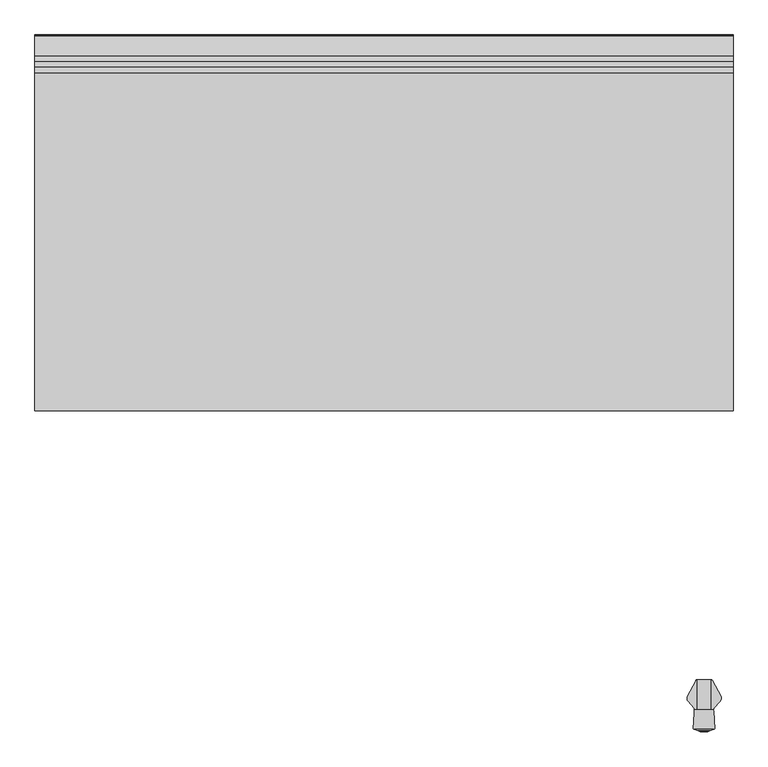
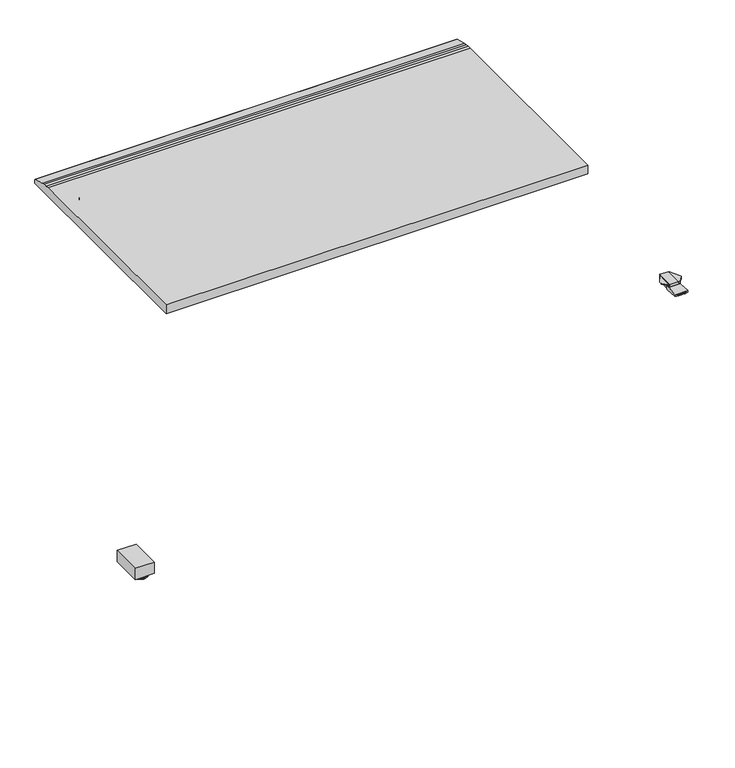
"""IFC4 building model written with IfcOpenShell, lengths in millimetres: furniture geometry."""

from ifc_helpers import new_model, si_unit, frame, origin, place, context, project, spatial, polyline, circle_curve, ellipse_curve, outline, extrude, faceted_brep, source, transform, mapped, element, save
from ifc_brep_helpers import plane_surface, cylinder_surface, revolved_surface, advanced_brep


def furniture_c7e0016a(model_context):
    return source(origin(), model_context, "Body", "SolidModel", [
        advanced_brep(
        [(-601.4331697, 882.9628978, 1037.209), (-601.4331697, 882.9628978, 1029.9601819), (-600.31166, 882.9628978, 1029.8867914), (-600.31166, 882.9628978, 1037.209), (-597.1278093, 938.4360352, 1033.5228106), (-597.2778673, 938.4360352, 1031.2297138), (-597.6572398, 938.4360352, 1029.7130886), (-601.4331697, 938.4360352, 1029.9601819), (-601.4331697, 938.4360352, 1037.209), (-596.7573081, 938.4360352, 1037.209), (-596.7573081, 938.4360352, 1033.8693631), (-583.0556977, 914.5139656, 1037.209), (-583.0556977, 919.6993849, 1037.209), (-584.9637879, 923.2879807, 1037.209), (-596.7573081, 936.4863381, 1037.209), (-583.3338057, 914.0054686, 1036.2591307), (-583.3338057, 920.6132102, 1036.2591307), (-583.924758, 912.9249623, 1035.4654291), (-583.924758, 921.8706593, 1035.4654291), (-584.8021754, 911.3206789, 1034.9271625), (-584.8021754, 923.1057944, 1034.9271625), (-587.634924, 906.1412376, 1034.7095886), (-587.634924, 926.2773009, 1034.7095886), (-584.9637879, 923.2879807, 1034.9147496), (-595.85964, 891.10304, 1034.7090072), (-595.85964, 935.4817403, 1034.7090072), (-597.1278093, 888.7842996, 1033.5228106), (-596.7573081, 936.4863381, 1033.8693631), (-597.2778673, 888.5099312, 1031.2297138), (-597.6572398, 887.8162807, 1029.7130886)],
        [
            (0, 1),
            (1, 2),
            (2, 3),
            (3, 0),
            (4, 5),
            (5, 6),
            (6, 7),
            (7, 8),
            (8, 9),
            (9, 10),
            (10, 4),
            (8, 0),
            (3, 11),
            (11, 12),
            (12, 13, circle_curve(frame((-590.9824137, 917.7862479, 1037.209), z_axis=(0.0, 0.0, 1.0), x_axis=(-1.0000000000000004, 0.0, 0.0)), 8.1543192)),
            (13, 14),
            (14, 9),
            (11, 15),
            (15, 16),
            (16, 12, ellipse_curve(frame((-590.9824137, 917.7862479, 1010.1355466), z_axis=(0.9597108497777287, 0.0, -0.28098947456961787), x_axis=(-0.28098947456961787, 0.0, -0.9597108497777287)), 29.0200165, 8.1543192)),
            (15, 17),
            (17, 18),
            (18, 16, ellipse_curve(frame((-590.9824137, 917.7862479, 1025.9863691), z_axis=(0.8020925083963487, 0.0, -0.5971998057387943), x_axis=(-0.5971998057387944, 0.0, -0.8020925083963485)), 13.6542563, 8.1543192)),
            (17, 19),
            (19, 20),
            (20, 18, ellipse_curve(frame((-590.9824137, 917.7862479, 1031.1357905), z_axis=(0.5229113139159308, 0.0, -0.8523870938597763), x_axis=(-0.8523870938597765, 0.0, -0.5229113139159306)), 9.5664508, 8.1543192)),
            (19, 21),
            (21, 22),
            (22, 23),
            (23, 20, ellipse_curve(frame((-590.9824137, 917.7862479, 1034.4524791), z_axis=(0.07658109560408619, 0.0, -0.9970633559589269), x_axis=(-0.9970633559589269, 0.0, -0.07658109560408602)), 8.178336, 8.1543192)),
            (21, 24),
            (24, 25),
            (25, 22),
            (26, 4),
            (10, 27),
            (27, 25),
            (24, 26),
            (26, 28),
            (28, 5),
            (28, 29),
            (29, 6),
            (29, 2),
            (1, 7),
            (27, 14),
            (13, 23),
        ],
        [
            plane_surface(frame((-601.4331697, 882.9628978, 1029.7916475), z_axis=(0.0, -1.0, 0.0), x_axis=(0.0, 0.0, -1.0))),
            plane_surface(frame((-601.4331697, 938.4360352, 1029.7916475), z_axis=(0.0, 1.0, 0.0), x_axis=(0.0, 0.0, 1.0))),
            plane_surface(frame((-583.0556977, 882.9628978, 1037.209), z_axis=(0.0, 0.0, 1.0), x_axis=(0.0, 1.0, 0.0))),
            plane_surface(frame((-583.3338057, 882.9628978, 1036.2591307), z_axis=(0.9597108497777287, 0.0, -0.28098947456961787), x_axis=(0.0, 1.0, 0.0))),
            plane_surface(frame((-583.924758, 882.9628978, 1035.4654291), z_axis=(0.8020925083963485, 0.0, -0.5971998057387942), x_axis=(0.0, 1.0, 0.0))),
            plane_surface(frame((-584.8021754, 882.9628978, 1034.9271625), z_axis=(0.5229113139159308, 0.0, -0.8523870938597763), x_axis=(0.0, 1.0, 0.0))),
            plane_surface(frame((-587.634924, 882.9628978, 1034.7095886), z_axis=(0.07658109560408619, 0.0, -0.9970633559589269), x_axis=(0.0, 1.0, 0.0))),
            plane_surface(frame((-595.85964, 882.9628978, 1034.7090072), z_axis=(7.068449081192282e-05, 0.0, -0.9999999975018514), x_axis=(0.0, 1.0, 0.0))),
            plane_surface(frame((-597.1278093, 882.9628978, 1033.5228106), z_axis=(0.6831094450823832, 0.0, -0.7303160179259652), x_axis=(0.0, 1.0, 0.0))),
            plane_surface(frame((-597.2778673, 882.9628978, 1031.2297138), z_axis=(0.9978657180161974, 0.0, -0.06529937831265216), x_axis=(0.0, 1.0, 0.0))),
            plane_surface(frame((-597.6572398, 882.9628978, 1029.7130886), z_axis=(0.9701099565798296, 0.0, -0.24266576220118338), x_axis=(0.0, 1.0, 0.0))),
            plane_surface(frame((-601.4331697, 882.9628978, 1029.9601819), z_axis=(-0.0652993783126831, 0.0, -0.9978657180161954), x_axis=(0.0, 1.0, 0.0))),
            plane_surface(frame((-601.4331697, 882.9628978, 1037.209), z_axis=(-1.0, 0.0, 0.0), x_axis=(0.0, 1.0, 0.0))),
            plane_surface(frame((-582.6963549, 915.1709936, 1067.1304045), z_axis=(0.8773539056662267, -0.4798438539902514, 0.0), x_axis=(0.0, 0.0, -1.0))),
            plane_surface(frame((-596.7573081, 936.4863381, 1044.0028547), z_axis=(0.7456773398656481, 0.666307215037396, 0.0), x_axis=(0.0, 0.0, -1.0))),
            plane_surface(frame((-596.7573081, 939.6626644, 1044.0028547), z_axis=(1.0, 0.0, 0.0), x_axis=(0.0, 0.0, -1.0))),
            cylinder_surface(frame((-590.9824137, 917.7862479, 344.6554878), z_axis=(0.0, 0.0, -1.0), x_axis=(-1.0000000000000004, 0.0, 0.0)), 8.1543192),
        ],
        [
            (0, [[1, 2, 3, 4]]),
            (1, [[5, 6, 7, 8, 9, 10, 11]]),
            (2, [[12, -4, 13, 14, 15, 16, 17, -9]]),
            (3, [[18, 19, 20, -14]]),
            (4, [[21, 22, 23, -19]]),
            (5, [[24, 25, 26, -22]]),
            (6, [[27, 28, 29, 30, -25]]),
            (7, [[31, 32, 33, -28]]),
            (8, [[34, -11, 35, 36, -32, 37]]),
            (9, [[-5, -34, 38, 39]]),
            (10, [[-6, -39, 40, 41]]),
            (11, [[-7, -41, 42, -2, 43]]),
            (12, [[-1, -12, -8, -43]]),
            (13, [[-3, -42, -40, -38, -37, -31, -27, -24, -21, -18, -13]]),
            (14, [[44, -16, 45, -29, -33, -36]]),
            (15, [[-44, -35, -10, -17]]),
            (16, [[-15, -20, -23, -26, -30, -45]]),
        ],
    ),
        advanced_brep(
        [(-630.0096303, 882.9628978, 1029.9601819), (-630.0096303, 882.9628978, 1037.209), (-631.13114, 882.9628978, 1037.209), (-631.13114, 882.9628978, 1029.8867914), (-630.0096303, 938.4360352, 1037.209), (-630.0096303, 938.4360352, 1029.9601819), (-633.7855602, 938.4360352, 1029.7130886), (-634.1649327, 938.4360352, 1031.2297138), (-634.3149907, 938.4360352, 1033.5228106), (-634.6854919, 938.4360352, 1033.8693631), (-634.6854919, 938.4360352, 1037.209), (-634.6854919, 936.4863381, 1037.209), (-646.4790121, 923.2879807, 1037.209), (-648.3871023, 919.6993849, 1037.209), (-648.3871023, 914.5139656, 1037.209), (-648.1089943, 914.0054686, 1036.2591307), (-648.1089943, 920.6132102, 1036.2591307), (-647.518042, 912.9249623, 1035.4654291), (-647.518042, 921.8706593, 1035.4654291), (-646.6406246, 911.3206789, 1034.9271625), (-646.6406246, 923.1057944, 1034.9271625), (-643.807876, 906.1412376, 1034.7095886), (-646.4790121, 923.2879807, 1034.9147496), (-643.807876, 926.2773009, 1034.7095886), (-635.58316, 891.10304, 1034.7090072), (-635.58316, 935.4817403, 1034.7090072), (-634.3149907, 888.7842996, 1033.5228106), (-634.6854919, 936.4863381, 1033.8693631), (-634.1649327, 888.5099312, 1031.2297138), (-633.7855602, 887.8162807, 1029.7130886)],
        [
            (0, 1),
            (1, 2),
            (2, 3),
            (3, 0),
            (4, 5),
            (5, 6),
            (6, 7),
            (7, 8),
            (8, 9),
            (9, 10),
            (10, 4),
            (1, 4),
            (10, 11),
            (11, 12),
            (12, 13, circle_curve(frame((-640.4603863, 917.7862479, 1037.209), z_axis=(0.0, 0.0, 1.0), x_axis=(1.0000000000000004, 0.0, 0.0)), 8.1543192)),
            (13, 14),
            (14, 2),
            (15, 14),
            (13, 16, ellipse_curve(frame((-640.4603863, 917.7862479, 1010.1355466), z_axis=(-0.9597108497777287, 0.0, -0.28098947456961787), x_axis=(0.28098947456961787, 0.0, -0.9597108497777287)), 29.0200165, 8.1543192)),
            (16, 15),
            (17, 15),
            (16, 18, ellipse_curve(frame((-640.4603863, 917.7862479, 1025.9863691), z_axis=(-0.8020925083963487, 0.0, -0.5971998057387943), x_axis=(0.5971998057387944, 0.0, -0.8020925083963485)), 13.6542563, 8.1543192)),
            (18, 17),
            (19, 17),
            (18, 20, ellipse_curve(frame((-640.4603863, 917.7862479, 1031.1357905), z_axis=(-0.5229113139159308, 0.0, -0.8523870938597763), x_axis=(0.8523870938597765, 0.0, -0.5229113139159306)), 9.5664508, 8.1543192)),
            (20, 19),
            (21, 19),
            (20, 22, ellipse_curve(frame((-640.4603863, 917.7862479, 1034.4524791), z_axis=(-0.07658109560408913, 0.0, -0.9970633559589267), x_axis=(0.9970633559589267, 0.0, -0.07658109560408889)), 8.178336, 8.1543192)),
            (22, 23),
            (23, 21),
            (24, 21),
            (23, 25),
            (25, 24),
            (8, 26),
            (26, 24),
            (25, 27),
            (27, 9),
            (7, 28),
            (28, 26),
            (6, 29),
            (29, 28),
            (5, 0),
            (3, 29),
            (11, 27),
            (22, 12),
        ],
        [
            plane_surface(frame((-632.0451645, 882.9628978, 1037.209), z_axis=(0.0, -1.0, 0.0), x_axis=(-1.0, 0.0, 0.0))),
            plane_surface(frame((-632.0451645, 938.4360352, 1037.209), z_axis=(0.0, 1.0, 0.0), x_axis=(1.0, 0.0, 0.0))),
            plane_surface(frame((-630.0096303, 882.9628978, 1037.209), z_axis=(0.0, 0.0, 1.0), x_axis=(0.0, 1.0, 0.0))),
            plane_surface(frame((-648.3871023, 882.9628978, 1037.209), z_axis=(-0.9597108497777287, 0.0, -0.28098947456961787), x_axis=(0.0, 1.0, 0.0))),
            plane_surface(frame((-648.1089943, 882.9628978, 1036.2591307), z_axis=(-0.8020925083963485, 0.0, -0.5971998057387942), x_axis=(0.0, 1.0, 0.0))),
            plane_surface(frame((-647.518042, 882.9628978, 1035.4654291), z_axis=(-0.5229113139159308, 0.0, -0.8523870938597763), x_axis=(0.0, 1.0, 0.0))),
            plane_surface(frame((-646.6406246, 882.9628978, 1034.9271625), z_axis=(-0.07658109560408913, 0.0, -0.9970633559589267), x_axis=(0.0, 1.0, 0.0))),
            plane_surface(frame((-643.807876, 882.9628978, 1034.7095886), z_axis=(-7.068449081192188e-05, 0.0, -0.9999999975018514), x_axis=(0.0, 1.0, 0.0))),
            plane_surface(frame((-635.58316, 882.9628978, 1034.7090072), z_axis=(-0.683109445082383, 0.0, -0.7303160179259655), x_axis=(0.0, 1.0, 0.0))),
            plane_surface(frame((-634.3149907, 882.9628978, 1033.5228106), z_axis=(-0.9978657180161974, 0.0, -0.06529937831265216), x_axis=(0.0, 1.0, 0.0))),
            plane_surface(frame((-634.1649327, 882.9628978, 1031.2297138), z_axis=(-0.9701099565798296, 0.0, -0.24266576220118338), x_axis=(0.0, 1.0, 0.0))),
            plane_surface(frame((-633.7855602, 882.9628978, 1029.7130886), z_axis=(0.06529937831268308, 0.0, -0.9978657180161954), x_axis=(0.0, 1.0, 0.0))),
            plane_surface(frame((-630.0096303, 882.9628978, 1029.9601819), z_axis=(1.0, 0.0, 0.0), x_axis=(0.0, 1.0, 0.0))),
            plane_surface(frame((-631.13114, 882.9628978, 1067.1304045), z_axis=(-0.8773539056662298, -0.47984385399024576, 0.0), x_axis=(0.0, 0.0, -1.0))),
            plane_surface(frame((-646.4790121, 923.2879807, 1044.0028547), z_axis=(-0.7456773398656439, 0.6663072150374009, 0.0), x_axis=(0.0, 0.0, -1.0))),
            plane_surface(frame((-634.6854919, 936.4863381, 1044.0028547), z_axis=(-1.0, 0.0, 0.0), x_axis=(0.0, 0.0, -1.0))),
            cylinder_surface(frame((-640.4603863, 917.7862479, 344.6554878), z_axis=(0.0, 0.0, -1.0), x_axis=(1.0000000000000004, 0.0, 0.0)), 8.1543192),
        ],
        [
            (0, [[1, 2, 3, 4]]),
            (1, [[5, 6, 7, 8, 9, 10, 11]]),
            (2, [[12, -11, 13, 14, 15, 16, 17, -2]]),
            (3, [[18, -16, 19, 20]]),
            (4, [[21, -20, 22, 23]]),
            (5, [[24, -23, 25, 26]]),
            (6, [[27, -26, 28, 29, 30]]),
            (7, [[31, -30, 32, 33]]),
            (8, [[34, 35, -33, 36, 37, -9]]),
            (9, [[-8, 38, 39, -34]]),
            (10, [[-7, 40, 41, -38]]),
            (11, [[-6, 42, -4, 43, -40]]),
            (12, [[-1, -42, -5, -12]]),
            (13, [[-3, -17, -18, -21, -24, -27, -31, -35, -39, -41, -43]]),
            (14, [[44, -36, -32, -29, 45, -14]]),
            (15, [[-44, -13, -10, -37]]),
            (16, [[-15, -45, -28, -25, -22, -19]]),
        ],
    ),
        advanced_brep(
        [(-599.2317452, 919.4221186, 1017.7130243), (-599.2317452, 923.2963371, 1016.9270984), (-599.2317452, 925.4255676, 1016.6538593), (-599.2317452, 927.3968499, 1016.5113535), (-599.2317452, 929.4293203, 1016.5263235), (-599.2317452, 931.469203, 1016.7748548), (-599.2317452, 939.1328704, 1029.7916475), (-599.2317452, 938.2843394, 1037.209), (-599.2317452, 902.5216668, 1037.209), (-599.2317452, 902.5216668, 1021.7486428), (-632.0451645, 938.2843394, 1037.209), (-632.0451645, 939.1328704, 1029.7916475), (-632.0451645, 931.469203, 1016.7748548), (-632.0451645, 929.4293203, 1016.5263235), (-632.0451645, 927.3968499, 1016.5113535), (-632.0451645, 925.4255676, 1016.6538593), (-632.0451645, 923.2963371, 1016.9270984), (-632.0451645, 919.4221186, 1017.7130243), (-632.0451645, 903.6256731, 1021.4850198), (-632.0451645, 903.6256731, 1037.209), (-631.1063131, 883.2569697, 1037.209), (-629.4193974, 881.9300757, 1037.209), (-601.8066255, 881.9300757, 1037.209), (-600.1197098, 883.2569697, 1037.209), (-630.2875126, 882.1633827, 1033.8727211), (-600.9385102, 882.1633827, 1033.8727211), (-630.6291096, 882.4218335, 1032.277615), (-600.5969133, 882.4218335, 1032.277615), (-630.9802739, 882.9072326, 1030.7540161), (-600.245749, 882.9072326, 1030.7540161), (-631.1063131, 883.2569697, 1030.0612029), (-631.1229046, 883.6169277, 1029.3481426), (-600.1031183, 883.6169277, 1029.3481426), (-600.1197098, 883.2569697, 1030.0612029), (-631.1646804, 884.5232677, 1028.0897165), (-600.0613425, 884.5232677, 1028.0897165), (-631.2167075, 885.6520142, 1026.9530853), (-600.0093154, 885.6520142, 1026.9530853), (-631.341025, 888.3491243, 1025.2864719), (-599.8849979, 888.3491243, 1025.2864719), (-631.4116573, 889.8815162, 1024.7669542), (-599.8143656, 889.8815162, 1024.7669542)],
        [
            (0, 1),
            (1, 2),
            (2, 3),
            (3, 4),
            (4, 5),
            (5, 6),
            (6, 7),
            (7, 8),
            (8, 9),
            (9, 0),
            (10, 11),
            (11, 12),
            (12, 13),
            (13, 14),
            (14, 15),
            (15, 16),
            (16, 17),
            (17, 18),
            (18, 19),
            (19, 10),
            (7, 10),
            (19, 20),
            (20, 21, circle_curve(frame((-629.4177592, 883.6679158, 1037.209), z_axis=(0.0, 0.0, 1.0), x_axis=(1.0000000000000004, 0.0, 0.0)), 1.7378408)),
            (21, 22),
            (22, 23, circle_curve(frame((-601.8082636, 883.6679158, 1037.209), z_axis=(0.0, 0.0, 1.0), x_axis=(-1.0000000000000004, 0.0, 0.0)), 1.7378408)),
            (23, 8),
            (21, 24, ellipse_curve(frame((-629.4177592, 883.6679158, 1012.3579681), z_axis=(0.0, -0.997563808233696, -0.06975993479273002), x_axis=(0.0, 0.06975993479273002, -0.997563808233696)), 24.9117327, 1.7378408)),
            (24, 25),
            (25, 22, ellipse_curve(frame((-601.8082636, 883.6679158, 1012.3579681), z_axis=(0.0, -0.997563808233696, -0.06975993479273002), x_axis=(0.0, 0.06975993479273002, -0.997563808233696)), 24.9117327, 1.7378408)),
            (24, 26, ellipse_curve(frame((-629.4177592, 883.6679158, 1024.5870466), z_axis=(0.0, -0.9871264986508672, -0.15994147573809486), x_axis=(0.0, 0.15994147573809486, -0.9871264986508672)), 10.8654796, 1.7378408)),
            (26, 27),
            (27, 25, ellipse_curve(frame((-601.8082636, 883.6679158, 1024.5870466), z_axis=(0.0, -0.9871264986508672, -0.15994147573809486), x_axis=(0.0, 0.15994147573809486, -0.9871264986508672)), 10.8654796, 1.7378408)),
            (26, 28, ellipse_curve(frame((-629.4177592, 883.6679158, 1028.3663399), z_axis=(0.0, -0.9528141049574114, -0.3035544125757477), x_axis=(0.0, 0.3035544125757477, -0.9528141049574111)), 5.7249731, 1.7378408)),
            (28, 29),
            (29, 27, ellipse_curve(frame((-601.8082636, 883.6679158, 1028.3663399), z_axis=(0.0, -0.9528141049574114, -0.3035544125757477), x_axis=(0.0, 0.3035544125757477, -0.9528141049574111)), 5.7249731, 1.7378408)),
            (30, 31),
            (31, 32),
            (32, 33),
            (33, 29, ellipse_curve(frame((-601.8082636, 883.6679158, 1029.2471375), z_axis=(0.0, -0.8927040411549354, -0.45064342323576334), x_axis=(0.0, 0.45064342323576334, -0.8927040411549354)), 3.8563546, 1.7378408)),
            (28, 30, ellipse_curve(frame((-629.4177592, 883.6679158, 1029.2471375), z_axis=(0.0, -0.8927040411549354, -0.45064342323576334), x_axis=(0.0, 0.45064342323576334, -0.8927040411549354)), 3.8563546, 1.7378408)),
            (31, 34),
            (34, 35),
            (35, 32),
            (34, 36),
            (36, 37),
            (37, 35),
            (36, 38),
            (38, 39),
            (39, 37),
            (38, 40),
            (40, 41),
            (41, 39),
            (17, 0),
            (9, 41),
            (40, 18),
            (16, 1),
            (15, 2),
            (14, 3),
            (13, 4),
            (12, 5),
            (11, 6),
            (30, 20),
            (23, 33),
        ],
        [
            plane_surface(frame((-599.2317452, 923.7473996, 1037.209), z_axis=(1.0, 0.0, 0.0), x_axis=(0.0, -1.0, 0.0))),
            plane_surface(frame((-632.0451645, 923.7473996, 1037.209), z_axis=(-1.0, 0.0, 0.0), x_axis=(0.0, 1.0, 0.0))),
            plane_surface(frame((-599.2317452, 938.2843394, 1037.209), z_axis=(0.0, 0.0, 1.0), x_axis=(-1.0, 0.0, 0.0))),
            plane_surface(frame((-599.2317452, 881.9300757, 1037.209), z_axis=(0.0, -0.997563808233696, -0.06975993479273002), x_axis=(-1.0, 0.0, 0.0))),
            plane_surface(frame((-599.2317452, 882.1633827, 1033.8727211), z_axis=(0.0, -0.9871264986508672, -0.15994147573809486), x_axis=(-1.0, 0.0, 0.0))),
            plane_surface(frame((-599.2317452, 882.4218335, 1032.277615), z_axis=(0.0, -0.9528141049574114, -0.3035544125757477), x_axis=(-1.0, 0.0, 0.0))),
            plane_surface(frame((-599.2317452, 882.9072326, 1030.7540161), z_axis=(0.0, -0.8927040411549354, -0.45064342323576334), x_axis=(-1.0, 0.0, 0.0))),
            plane_surface(frame((-599.2317452, 883.6169277, 1029.3481426), z_axis=(0.0, -0.8114507875380343, -0.5844207554526992), x_axis=(-1.0, 0.0, 0.0))),
            plane_surface(frame((-599.2317452, 884.5232677, 1028.0897165), z_axis=(0.0, -0.7095635828811538, -0.704641413662907), x_axis=(-1.0, 0.0, 0.0))),
            plane_surface(frame((-599.2317452, 885.6520142, 1026.9530853), z_axis=(0.0, -0.5256643953018257, -0.8506920379972802), x_axis=(-1.0, 0.0, 0.0))),
            plane_surface(frame((-599.2317452, 888.3491243, 1025.2864719), z_axis=(0.0, -0.32107410172322687, -0.9470540751206464), x_axis=(-1.0, 0.0, 0.0))),
            plane_surface(frame((-599.2317452, 889.8815162, 1024.7669542), z_axis=(0.0, -0.23225778917580214, -0.9726542650742702), x_axis=(-1.0, 0.0, 0.0))),
            plane_surface(frame((-599.2317452, 919.4221186, 1017.7130243), z_axis=(0.0, -0.1988109622365402, -0.9800378570721546), x_axis=(-1.0, 0.0, 0.0))),
            plane_surface(frame((-599.2317452, 923.2963371, 1016.9270984), z_axis=(0.0, -0.12728387031952282, -0.9918663298834591), x_axis=(-1.0, 0.0, 0.0))),
            plane_surface(frame((-599.2317452, 925.4255676, 1016.6538593), z_axis=(0.0, -0.07210277493300893, -0.997397207659496), x_axis=(-1.0, 0.0, 0.0))),
            plane_surface(frame((-599.2317452, 927.3968499, 1016.5113535), z_axis=(0.0, 0.007365229187275849, -0.9999728763316628), x_axis=(-1.0, 0.0, 0.0))),
            plane_surface(frame((-599.2317452, 929.4293203, 1016.5263235), z_axis=(0.0, 0.12094176610084176, -0.992659603898743), x_axis=(-1.0, 0.0, 0.0))),
            plane_surface(frame((-599.2317452, 931.469203, 1016.7748548), z_axis=(0.0, 0.8617394273144984, -0.5073511204399574), x_axis=(-1.0, 0.0, 0.0))),
            plane_surface(frame((-599.2317452, 939.1328704, 1029.7916475), z_axis=(0.0, 0.9935200698495489, 0.11365681152551964), x_axis=(-1.0, 0.0, 0.0))),
            plane_surface(frame((-631.1063131, 883.2569697, 1050.6978518), z_axis=(-0.9989394147117107, -0.04604395438518504, 0.0), x_axis=(0.0, 0.0, -1.0))),
            cylinder_surface(frame((-629.4177592, 883.6679158, 1007.8853687), z_axis=(0.0, 0.0, -1.0), x_axis=(1.0000000000000004, 0.0, 0.0)), 1.7378408),
            plane_surface(frame((-597.4404627, 941.384156, 1050.6978518), z_axis=(0.9989394147117103, -0.04604395438519144, 0.0), x_axis=(0.0, 0.0, -1.0))),
            cylinder_surface(frame((-601.8082636, 883.6679158, 1007.8853687), z_axis=(0.0, 0.0, -1.0), x_axis=(-1.0000000000000004, 0.0, 0.0)), 1.7378408),
        ],
        [
            (0, [[1, 2, 3, 4, 5, 6, 7, 8, 9, 10]]),
            (1, [[11, 12, 13, 14, 15, 16, 17, 18, 19, 20]]),
            (2, [[21, -20, 22, 23, 24, 25, 26, -8]]),
            (3, [[27, 28, 29, -24]]),
            (4, [[30, 31, 32, -28]]),
            (5, [[33, 34, 35, -31]]),
            (6, [[36, 37, 38, 39, -34, 40]]),
            (7, [[41, 42, 43, -37]]),
            (8, [[44, 45, 46, -42]]),
            (9, [[47, 48, 49, -45]]),
            (10, [[50, 51, 52, -48]]),
            (11, [[53, -10, 54, -51, 55, -18]]),
            (12, [[-1, -53, -17, 56]]),
            (13, [[-2, -56, -16, 57]]),
            (14, [[-3, -57, -15, 58]]),
            (15, [[-4, -58, -14, 59]]),
            (16, [[-5, -59, -13, 60]]),
            (17, [[-6, -60, -12, 61]]),
            (18, [[-7, -61, -11, -21]]),
            (19, [[62, -22, -19, -55, -50, -47, -44, -41, -36]]),
            (20, [[-62, -40, -33, -30, -27, -23]]),
            (21, [[63, -38, -43, -46, -49, -52, -54, -9, -26]]),
            (22, [[-63, -25, -29, -32, -35, -39]]),
        ],
    ),
        faceted_brep([(-598.001947, 928.2279947, 1029.223888), (-597.8056147, 931.1645029, 1030.0697046), (-633.3145074, 931.1645029, 1030.0697046), (-633.1791554, 928.2279947, 1029.223888), (-598.1465732, 926.0648454, 1027.3301699), (-633.0794497, 926.0648454, 1027.3301699), (-598.2145724, 925.0477927, 1025.0631571), (-633.0325708, 925.0477927, 1025.0631571), (-598.2293768, 924.8263672, 1023.7281368), (-633.0223647, 924.8263672, 1023.7281368), (-598.2261142, 924.8751651, 1022.446311), (-633.0246139, 924.8751651, 1022.446311), (-598.2106539, 925.106401, 1021.1650665), (-633.0352722, 925.106401, 1021.1650665), (-598.1493839, 926.0228058, 1019.326952), (-633.0775119, 926.0228058, 1019.326952), (-598.0326986, 927.7680481, 1017.6682596), (-633.1579551, 927.7680481, 1017.6682596), (-597.8544858, 930.4335468, 1016.6432495), (-633.2808155, 930.4335468, 1016.6432495), (-597.762786, 931.8050837, 1016.5717422), (-633.3440336, 931.8050837, 1016.5717422), (-594.8473822, 975.4102709, 1023.2389952), (-633.7855602, 941.384156, 1018.0363867), (-634.3204622, 941.384156, 1018.0363867), (-636.5954178, 975.4102709, 1023.2389952), (-594.8040016, 976.0591078, 1023.3389153), (-636.6387984, 976.0591078, 1023.3389153), (-635.216104, 977.1267722, 1023.5033343), (-631.8218056, 978.3760783, 1023.695726), (-599.6209944, 978.3760783, 1023.695726), (-596.226696, 977.1267722, 1023.5033343), (-604.8962098, 980.3176749, 1023.9930916), (-626.5465902, 980.3176749, 1023.9930916), (-609.1723762, 981.8915613, 1025.1280514), (-622.2704238, 981.8915613, 1025.1280514), (-608.8005958, 981.7547238, 1027.4254402), (-622.6422042, 981.7547238, 1027.4254402), (-604.3815491, 980.1282488, 1028.3600857), (-627.0612509, 980.1282488, 1028.3600857), (-596.9840778, 977.4055343, 1028.4561186), (-634.4587222, 977.4055343, 1028.4561186), (-594.8040016, 976.0591078, 1028.5031023), (-596.226696, 977.1267722, 1028.465846), (-635.216104, 977.1267722, 1028.465846), (-636.6387984, 976.0591078, 1028.5031023), (-634.3204622, 941.384156, 1029.7130886), (-633.7855602, 941.384156, 1029.7130886)], [[[0, 1, 2, 3]], [[4, 0, 3, 5]], [[6, 4, 5, 7]], [[8, 6, 7, 9]], [[10, 8, 9, 11]], [[12, 10, 11, 13]], [[14, 12, 13, 15]], [[16, 14, 15, 17]], [[18, 16, 17, 19]], [[20, 18, 19, 21]], [[22, 20, 21, 23, 24, 25]], [[26, 22, 25, 27, 28, 29, 30, 31]], [[32, 30, 29, 33]], [[34, 32, 33, 35]], [[36, 34, 35, 37]], [[38, 36, 37, 39]], [[40, 38, 39, 41]], [[1, 42, 43, 40, 41, 44, 45, 46, 47, 2]], [[26, 42, 1, 0, 4, 6, 8, 10, 12, 14, 16, 18, 20, 22]], [[43, 31, 30, 32, 34, 36, 38, 40]], [[42, 26, 31, 43]], [[47, 23, 21, 19, 17, 15, 13, 11, 9, 7, 5, 3, 2]], [[23, 47, 46, 24]], [[45, 27, 25, 24, 46]], [[28, 44, 41, 39, 37, 35, 33, 29]], [[44, 28, 27, 45]]]),
        advanced_brep(
        [(601.4229641, -236.8289895, 1037.209), (601.4229641, -236.8289895, 1029.9601819), (600.3014544, -236.8289895, 1029.8867914), (600.3014544, -236.8289895, 1037.209), (597.1176037, -292.3021269, 1033.5228106), (597.2676618, -292.3021269, 1031.2297138), (597.6470342, -292.3021269, 1029.7130886), (601.4229641, -292.3021269, 1029.9601819), (601.4229641, -292.3021269, 1037.209), (596.7471025, -292.3021269, 1037.209), (596.7471025, -292.3021269, 1033.8693631), (583.0454921, -268.3800573, 1037.209), (583.0454921, -273.5654766, 1037.209), (584.9535823, -277.1540723, 1037.209), (596.7471025, -290.3524298, 1037.209), (583.3236001, -267.8715603, 1036.2591307), (583.3236001, -274.4793019, 1036.2591307), (583.9145524, -266.791054, 1035.4654291), (583.9145524, -275.7367509, 1035.4654291), (584.7919698, -265.1867705, 1034.9271625), (584.7919698, -276.971886, 1034.9271625), (587.6247184, -260.0073293, 1034.7095886), (587.6247184, -280.1433926, 1034.7095886), (584.9535823, -277.1540723, 1034.9147496), (595.8494344, -244.9691317, 1034.7090072), (595.8494344, -289.347832, 1034.7090072), (597.1176037, -242.6503913, 1033.5228106), (596.7471025, -290.3524298, 1033.8693631), (597.2676618, -242.3760228, 1031.2297138), (597.6470342, -241.6823724, 1029.7130886)],
        [
            (0, 1),
            (1, 2),
            (2, 3),
            (3, 0),
            (4, 5),
            (5, 6),
            (6, 7),
            (7, 8),
            (8, 9),
            (9, 10),
            (10, 4),
            (8, 0),
            (3, 11),
            (11, 12),
            (12, 13, circle_curve(frame((590.9722082, -271.6523395, 1037.209), z_axis=(0.0, 0.0, 1.0), x_axis=(1.0, 0.0, 0.0)), 8.1543192)),
            (13, 14),
            (14, 9),
            (11, 15),
            (15, 16),
            (16, 12, ellipse_curve(frame((590.9722082, -271.6523395, 1010.1355466), z_axis=(-0.9597108497777287, 0.0, -0.28098947456961776), x_axis=(0.28098947456961776, 0.0, -0.9597108497777287)), 29.0200165, 8.1543192)),
            (15, 17),
            (17, 18),
            (18, 16, ellipse_curve(frame((590.9722082, -271.6523395, 1025.9863691), z_axis=(-0.8020925083963487, 0.0, -0.597199805738794), x_axis=(0.5971998057387942, 0.0, -0.8020925083963487)), 13.6542563, 8.1543192)),
            (17, 19),
            (19, 20),
            (20, 18, ellipse_curve(frame((590.9722082, -271.6523395, 1031.1357905), z_axis=(-0.5229113139159309, 0.0, -0.8523870938597762), x_axis=(0.8523870938597762, 0.0, -0.5229113139159307)), 9.5664508, 8.1543192)),
            (19, 21),
            (21, 22),
            (22, 23),
            (23, 20, ellipse_curve(frame((590.9722082, -271.6523395, 1034.4524791), z_axis=(-0.07658109560408621, 0.0, -0.9970633559589269), x_axis=(0.9970633559589269, 0.0, -0.076581095604086)), 8.178336, 8.1543192)),
            (21, 24),
            (24, 25),
            (25, 22),
            (26, 4),
            (10, 27),
            (27, 25),
            (24, 26),
            (26, 28),
            (28, 5),
            (28, 29),
            (29, 6),
            (29, 2),
            (1, 7),
            (27, 14),
            (13, 23),
        ],
        [
            plane_surface(frame((601.4229641, -236.8289895, 1029.7916475), z_axis=(0.0, 1.0, 0.0), x_axis=(0.0, 0.0, -1.0))),
            plane_surface(frame((601.4229641, -292.3021269, 1029.7916475), z_axis=(0.0, -1.0, 0.0), x_axis=(0.0, 0.0, 1.0))),
            plane_surface(frame((583.0454921, -236.8289895, 1037.209), z_axis=(0.0, 0.0, 1.0), x_axis=(0.0, -1.0, 0.0))),
            plane_surface(frame((583.3236001, -236.8289895, 1036.2591307), z_axis=(-0.9597108497777287, 0.0, -0.28098947456961776), x_axis=(0.0, -1.0, 0.0))),
            plane_surface(frame((583.9145524, -236.8289895, 1035.4654291), z_axis=(-0.8020925083963487, 0.0, -0.597199805738794), x_axis=(0.0, -1.0, 0.0))),
            plane_surface(frame((584.7919698, -236.8289895, 1034.9271625), z_axis=(-0.5229113139159309, 0.0, -0.8523870938597762), x_axis=(0.0, -1.0, 0.0))),
            plane_surface(frame((587.6247184, -236.8289895, 1034.7095886), z_axis=(-0.07658109560408621, 0.0, -0.9970633559589269), x_axis=(0.0, -1.0, 0.0))),
            plane_surface(frame((595.8494344, -236.8289895, 1034.7090072), z_axis=(-7.068449081192285e-05, 0.0, -0.9999999975018514), x_axis=(0.0, -1.0, 0.0))),
            plane_surface(frame((597.1176037, -236.8289895, 1033.5228106), z_axis=(-0.6831094450823834, 0.0, -0.730316017925965), x_axis=(0.0, -1.0, 0.0))),
            plane_surface(frame((597.2676618, -236.8289895, 1031.2297138), z_axis=(-0.9978657180161974, 0.0, -0.06529937831265213), x_axis=(0.0, -1.0, 0.0))),
            plane_surface(frame((597.6470342, -236.8289895, 1029.7130886), z_axis=(-0.9701099565798296, 0.0, -0.24266576220118327), x_axis=(0.0, -1.0, 0.0))),
            plane_surface(frame((601.4229641, -236.8289895, 1029.9601819), z_axis=(0.06529937831268313, 0.0, -0.9978657180161954), x_axis=(0.0, -1.0, 0.0))),
            plane_surface(frame((601.4229641, -236.8289895, 1037.209), z_axis=(1.0, 0.0, 0.0), x_axis=(0.0, -1.0, 0.0))),
            plane_surface(frame((582.6861493, -269.0370852, 1067.1304045), z_axis=(-0.8773539056662283, 0.4798438539902486, 0.0), x_axis=(0.0, 0.0, -1.0))),
            plane_surface(frame((596.7471025, -290.3524298, 1044.0028547), z_axis=(-0.745677339865646, -0.6663072150373984, 0.0), x_axis=(0.0, 0.0, -1.0))),
            plane_surface(frame((596.7471025, -293.5287561, 1044.0028547), z_axis=(-1.0, 0.0, 0.0), x_axis=(0.0, 0.0, -1.0))),
            cylinder_surface(frame((590.9722082, -271.6523395, 344.6554878), z_axis=(0.0, 0.0, -1.0), x_axis=(1.0, 0.0, 0.0)), 8.1543192),
        ],
        [
            (0, [[1, 2, 3, 4]]),
            (1, [[5, 6, 7, 8, 9, 10, 11]]),
            (2, [[12, -4, 13, 14, 15, 16, 17, -9]]),
            (3, [[18, 19, 20, -14]]),
            (4, [[21, 22, 23, -19]]),
            (5, [[24, 25, 26, -22]]),
            (6, [[27, 28, 29, 30, -25]]),
            (7, [[31, 32, 33, -28]]),
            (8, [[34, -11, 35, 36, -32, 37]]),
            (9, [[-5, -34, 38, 39]]),
            (10, [[-6, -39, 40, 41]]),
            (11, [[-7, -41, 42, -2, 43]]),
            (12, [[-1, -12, -8, -43]]),
            (13, [[-3, -42, -40, -38, -37, -31, -27, -24, -21, -18, -13]]),
            (14, [[44, -16, 45, -29, -33, -36]]),
            (15, [[-44, -35, -10, -17]]),
            (16, [[-15, -20, -23, -26, -30, -45]]),
        ],
    ),
        advanced_brep(
        [(629.9994247, -236.8289895, 1029.9601819), (629.9994247, -236.8289895, 1037.209), (631.1209344, -236.8289895, 1037.209), (631.1209344, -236.8289895, 1029.8867914), (629.9994247, -292.3021269, 1037.209), (629.9994247, -292.3021269, 1029.9601819), (633.7753546, -292.3021269, 1029.7130886), (634.1547271, -292.3021269, 1031.2297138), (634.3047851, -292.3021269, 1033.5228106), (634.6752864, -292.3021269, 1033.8693631), (634.6752864, -292.3021269, 1037.209), (634.6752864, -290.3524298, 1037.209), (646.4688066, -277.1540723, 1037.209), (648.3768968, -273.5654766, 1037.209), (648.3768968, -268.3800573, 1037.209), (648.0987887, -267.8715603, 1036.2591307), (648.0987887, -274.4793019, 1036.2591307), (647.5078364, -266.791054, 1035.4654291), (647.5078364, -275.7367509, 1035.4654291), (646.6304191, -265.1867705, 1034.9271625), (646.6304191, -276.971886, 1034.9271625), (643.7976705, -260.0073293, 1034.7095886), (646.4688066, -277.1540723, 1034.9147496), (643.7976705, -280.1433926, 1034.7095886), (635.5729545, -244.9691317, 1034.7090072), (635.5729545, -289.347832, 1034.7090072), (634.3047851, -242.6503913, 1033.5228106), (634.6752864, -290.3524298, 1033.8693631), (634.1547271, -242.3760228, 1031.2297138), (633.7753546, -241.6823724, 1029.7130886)],
        [
            (0, 1),
            (1, 2),
            (2, 3),
            (3, 0),
            (4, 5),
            (5, 6),
            (6, 7),
            (7, 8),
            (8, 9),
            (9, 10),
            (10, 4),
            (1, 4),
            (10, 11),
            (11, 12),
            (12, 13, circle_curve(frame((640.4501807, -271.6523395, 1037.209), z_axis=(0.0, 0.0, 1.0), x_axis=(-1.0, 0.0, 0.0)), 8.1543192)),
            (13, 14),
            (14, 2),
            (15, 14),
            (13, 16, ellipse_curve(frame((640.4501807, -271.6523395, 1010.1355466), z_axis=(0.9597108497777287, 0.0, -0.28098947456961776), x_axis=(-0.28098947456961776, 0.0, -0.9597108497777287)), 29.0200165, 8.1543192)),
            (16, 15),
            (17, 15),
            (16, 18, ellipse_curve(frame((640.4501807, -271.6523395, 1025.9863691), z_axis=(0.8020925083963487, 0.0, -0.597199805738794), x_axis=(-0.5971998057387942, 0.0, -0.8020925083963487)), 13.6542563, 8.1543192)),
            (18, 17),
            (19, 17),
            (18, 20, ellipse_curve(frame((640.4501807, -271.6523395, 1031.1357905), z_axis=(0.5229113139159309, 0.0, -0.8523870938597762), x_axis=(-0.8523870938597762, 0.0, -0.5229113139159307)), 9.5664508, 8.1543192)),
            (20, 19),
            (21, 19),
            (20, 22, ellipse_curve(frame((640.4501807, -271.6523395, 1034.4524791), z_axis=(0.07658109560408916, 0.0, -0.9970633559589267), x_axis=(-0.9970633559589266, 0.0, -0.07658109560408885)), 8.178336, 8.1543192)),
            (22, 23),
            (23, 21),
            (24, 21),
            (23, 25),
            (25, 24),
            (8, 26),
            (26, 24),
            (25, 27),
            (27, 9),
            (7, 28),
            (28, 26),
            (6, 29),
            (29, 28),
            (5, 0),
            (3, 29),
            (11, 27),
            (22, 12),
        ],
        [
            plane_surface(frame((632.0349589, -236.8289895, 1037.209), z_axis=(0.0, 1.0, 0.0), x_axis=(1.0, 0.0, 0.0))),
            plane_surface(frame((632.0349589, -292.3021269, 1037.209), z_axis=(0.0, -1.0, 0.0), x_axis=(-1.0, 0.0, 0.0))),
            plane_surface(frame((629.9994247, -236.8289895, 1037.209), z_axis=(0.0, 0.0, 1.0), x_axis=(0.0, -1.0, 0.0))),
            plane_surface(frame((648.3768968, -236.8289895, 1037.209), z_axis=(0.9597108497777287, 0.0, -0.28098947456961776), x_axis=(0.0, -1.0, 0.0))),
            plane_surface(frame((648.0987887, -236.8289895, 1036.2591307), z_axis=(0.8020925083963487, 0.0, -0.597199805738794), x_axis=(0.0, -1.0, 0.0))),
            plane_surface(frame((647.5078364, -236.8289895, 1035.4654291), z_axis=(0.5229113139159309, 0.0, -0.8523870938597762), x_axis=(0.0, -1.0, 0.0))),
            plane_surface(frame((646.6304191, -236.8289895, 1034.9271625), z_axis=(0.07658109560408916, 0.0, -0.9970633559589267), x_axis=(0.0, -1.0, 0.0))),
            plane_surface(frame((643.7976705, -236.8289895, 1034.7095886), z_axis=(7.068449081192191e-05, 0.0, -0.9999999975018514), x_axis=(0.0, -1.0, 0.0))),
            plane_surface(frame((635.5729545, -236.8289895, 1034.7090072), z_axis=(0.6831094450823831, 0.0, -0.7303160179259652), x_axis=(0.0, -1.0, 0.0))),
            plane_surface(frame((634.3047851, -236.8289895, 1033.5228106), z_axis=(0.9978657180161974, 0.0, -0.06529937831265213), x_axis=(0.0, -1.0, 0.0))),
            plane_surface(frame((634.1547271, -236.8289895, 1031.2297138), z_axis=(0.9701099565798296, 0.0, -0.24266576220118327), x_axis=(0.0, -1.0, 0.0))),
            plane_surface(frame((633.7753546, -236.8289895, 1029.7130886), z_axis=(-0.0652993783126831, 0.0, -0.9978657180161954), x_axis=(0.0, -1.0, 0.0))),
            plane_surface(frame((629.9994247, -236.8289895, 1029.9601819), z_axis=(-1.0, 0.0, 0.0), x_axis=(0.0, -1.0, 0.0))),
            plane_surface(frame((631.1209344, -236.8289895, 1067.1304045), z_axis=(0.8773539056662283, 0.4798438539902486, 0.0), x_axis=(0.0, 0.0, -1.0))),
            plane_surface(frame((646.4688066, -277.1540723, 1044.0028547), z_axis=(0.745677339865646, -0.6663072150373984, 0.0), x_axis=(0.0, 0.0, -1.0))),
            plane_surface(frame((634.6752864, -290.3524298, 1044.0028547), z_axis=(1.0, 0.0, 0.0), x_axis=(0.0, 0.0, -1.0))),
            cylinder_surface(frame((640.4501807, -271.6523395, 344.6554878), z_axis=(0.0, 0.0, -1.0), x_axis=(-1.0, 0.0, 0.0)), 8.1543192),
        ],
        [
            (0, [[1, 2, 3, 4]]),
            (1, [[5, 6, 7, 8, 9, 10, 11]]),
            (2, [[12, -11, 13, 14, 15, 16, 17, -2]]),
            (3, [[18, -16, 19, 20]]),
            (4, [[21, -20, 22, 23]]),
            (5, [[24, -23, 25, 26]]),
            (6, [[27, -26, 28, 29, 30]]),
            (7, [[31, -30, 32, 33]]),
            (8, [[34, 35, -33, 36, 37, -9]]),
            (9, [[-8, 38, 39, -34]]),
            (10, [[-7, 40, 41, -38]]),
            (11, [[-6, 42, -4, 43, -40]]),
            (12, [[-1, -42, -5, -12]]),
            (13, [[-3, -17, -18, -21, -24, -27, -31, -35, -39, -41, -43]]),
            (14, [[44, -36, -32, -29, 45, -14]]),
            (15, [[-44, -13, -10, -37]]),
            (16, [[-15, -45, -28, -25, -22, -19]]),
        ],
    ),
        advanced_brep(
        [(599.2215396, -273.2882103, 1017.7130243), (599.2215396, -277.1624287, 1016.9270984), (599.2215396, -279.2916592, 1016.6538593), (599.2215396, -281.2629415, 1016.5113535), (599.2215396, -283.2954119, 1016.5263235), (599.2215396, -285.3352947, 1016.7748548), (599.2215396, -292.9989621, 1029.7916475), (599.2215396, -292.150431, 1037.209), (599.2215396, -256.3877585, 1037.209), (599.2215396, -256.3877585, 1021.7486428), (632.0349589, -292.150431, 1037.209), (632.0349589, -292.9989621, 1029.7916475), (632.0349589, -285.3352947, 1016.7748548), (632.0349589, -283.2954119, 1016.5263235), (632.0349589, -281.2629415, 1016.5113535), (632.0349589, -279.2916592, 1016.6538593), (632.0349589, -277.1624287, 1016.9270984), (632.0349589, -273.2882103, 1017.7130243), (632.0349589, -257.4917648, 1021.4850198), (632.0349589, -257.4917648, 1037.209), (631.0961075, -237.1230614, 1037.209), (629.4091918, -235.7961673, 1037.209), (601.7964199, -235.7961673, 1037.209), (600.1095042, -237.1230614, 1037.209), (630.2773071, -236.0294743, 1033.8727211), (600.9283047, -236.0294743, 1033.8727211), (630.618904, -236.2879251, 1032.277615), (600.5867077, -236.2879251, 1032.277615), (630.9700683, -236.7733243, 1030.7540161), (600.2355434, -236.7733243, 1030.7540161), (631.0961075, -237.1230614, 1030.0612029), (631.112699, -237.4830193, 1029.3481426), (600.0929127, -237.4830193, 1029.3481426), (600.1095042, -237.1230614, 1030.0612029), (631.1544748, -238.3893593, 1028.0897165), (600.0511369, -238.3893593, 1028.0897165), (631.2065019, -239.5181059, 1026.9530853), (599.9991098, -239.5181059, 1026.9530853), (631.3308194, -242.2152159, 1025.2864719), (599.8747923, -242.2152159, 1025.2864719), (631.4014517, -243.7476079, 1024.7669542), (599.80416, -243.7476079, 1024.7669542)],
        [
            (0, 1),
            (1, 2),
            (2, 3),
            (3, 4),
            (4, 5),
            (5, 6),
            (6, 7),
            (7, 8),
            (8, 9),
            (9, 0),
            (10, 11),
            (11, 12),
            (12, 13),
            (13, 14),
            (14, 15),
            (15, 16),
            (16, 17),
            (17, 18),
            (18, 19),
            (19, 10),
            (7, 10),
            (19, 20),
            (20, 21, circle_curve(frame((629.4075537, -237.5340074, 1037.209), z_axis=(0.0, 0.0, 1.0), x_axis=(-1.0, 0.0, 0.0)), 1.7378408)),
            (21, 22),
            (22, 23, circle_curve(frame((601.7980581, -237.5340074, 1037.209), z_axis=(0.0, 0.0, 1.0), x_axis=(1.0, 0.0, 0.0)), 1.7378408)),
            (23, 8),
            (21, 24, ellipse_curve(frame((629.4075537, -237.5340074, 1012.3579681), z_axis=(0.0, 0.997563808233696, -0.06975993479272999), x_axis=(0.0, -0.06975993479272999, -0.997563808233696)), 24.9117327, 1.7378408)),
            (24, 25),
            (25, 22, ellipse_curve(frame((601.7980581, -237.5340074, 1012.3579681), z_axis=(0.0, 0.997563808233696, -0.06975993479272999), x_axis=(0.0, -0.06975993479272999, -0.997563808233696)), 24.9117327, 1.7378408)),
            (24, 26, ellipse_curve(frame((629.4075537, -237.5340074, 1024.5870466), z_axis=(0.0, 0.9871264986508672, -0.15994147573809478), x_axis=(0.0, -0.1599414757380948, -0.9871264986508672)), 10.8654796, 1.7378408)),
            (26, 27),
            (27, 25, ellipse_curve(frame((601.7980581, -237.5340074, 1024.5870466), z_axis=(0.0, 0.9871264986508672, -0.15994147573809478), x_axis=(0.0, -0.1599414757380948, -0.9871264986508672)), 10.8654796, 1.7378408)),
            (26, 28, ellipse_curve(frame((629.4075537, -237.5340074, 1028.3663399), z_axis=(0.0, 0.9528141049574114, -0.3035544125757476), x_axis=(0.0, -0.3035544125757476, -0.9528141049574113)), 5.7249731, 1.7378408)),
            (28, 29),
            (29, 27, ellipse_curve(frame((601.7980581, -237.5340074, 1028.3663399), z_axis=(0.0, 0.9528141049574114, -0.3035544125757476), x_axis=(0.0, -0.3035544125757476, -0.9528141049574113)), 5.7249731, 1.7378408)),
            (30, 31),
            (31, 32),
            (32, 33),
            (33, 29, ellipse_curve(frame((601.7980581, -237.5340074, 1029.2471375), z_axis=(0.0, 0.8927040411549356, -0.45064342323576323), x_axis=(0.0, -0.45064342323576323, -0.8927040411549354)), 3.8563546, 1.7378408)),
            (28, 30, ellipse_curve(frame((629.4075537, -237.5340074, 1029.2471375), z_axis=(0.0, 0.8927040411549356, -0.45064342323576323), x_axis=(0.0, -0.45064342323576323, -0.8927040411549354)), 3.8563546, 1.7378408)),
            (31, 34),
            (34, 35),
            (35, 32),
            (34, 36),
            (36, 37),
            (37, 35),
            (36, 38),
            (38, 39),
            (39, 37),
            (38, 40),
            (40, 41),
            (41, 39),
            (17, 0),
            (9, 41),
            (40, 18),
            (16, 1),
            (15, 2),
            (14, 3),
            (13, 4),
            (12, 5),
            (11, 6),
            (30, 20),
            (23, 33),
        ],
        [
            plane_surface(frame((599.2215396, -277.6134913, 1037.209), z_axis=(-1.0, 0.0, 0.0), x_axis=(0.0, 1.0, 0.0))),
            plane_surface(frame((632.0349589, -277.6134913, 1037.209), z_axis=(1.0, 0.0, 0.0), x_axis=(0.0, -1.0, 0.0))),
            plane_surface(frame((599.2215396, -292.150431, 1037.209), z_axis=(0.0, 0.0, 1.0), x_axis=(1.0, 0.0, 0.0))),
            plane_surface(frame((599.2215396, -235.7961673, 1037.209), z_axis=(0.0, 0.997563808233696, -0.06975993479272999), x_axis=(1.0, 0.0, 0.0))),
            plane_surface(frame((599.2215396, -236.0294743, 1033.8727211), z_axis=(0.0, 0.9871264986508672, -0.15994147573809478), x_axis=(1.0, 0.0, 0.0))),
            plane_surface(frame((599.2215396, -236.2879251, 1032.277615), z_axis=(0.0, 0.9528141049574114, -0.3035544125757476), x_axis=(1.0, 0.0, 0.0))),
            plane_surface(frame((599.2215396, -236.7733243, 1030.7540161), z_axis=(0.0, 0.8927040411549356, -0.45064342323576323), x_axis=(1.0, 0.0, 0.0))),
            plane_surface(frame((599.2215396, -237.4830193, 1029.3481426), z_axis=(0.0, 0.8114507875380346, -0.5844207554526991), x_axis=(1.0, 0.0, 0.0))),
            plane_surface(frame((599.2215396, -238.3893593, 1028.0897165), z_axis=(0.0, 0.709563582881154, -0.7046414136629068), x_axis=(1.0, 0.0, 0.0))),
            plane_surface(frame((599.2215396, -239.5181059, 1026.9530853), z_axis=(0.0, 0.5256643953018258, -0.8506920379972801), x_axis=(1.0, 0.0, 0.0))),
            plane_surface(frame((599.2215396, -242.2152159, 1025.2864719), z_axis=(0.0, 0.32107410172322703, -0.9470540751206464), x_axis=(1.0, 0.0, 0.0))),
            plane_surface(frame((599.2215396, -243.7476079, 1024.7669542), z_axis=(0.0, 0.23225778917580225, -0.9726542650742702), x_axis=(1.0, 0.0, 0.0))),
            plane_surface(frame((599.2215396, -273.2882103, 1017.7130243), z_axis=(0.0, 0.1988109622365403, -0.9800378570721546), x_axis=(1.0, 0.0, 0.0))),
            plane_surface(frame((599.2215396, -277.1624287, 1016.9270984), z_axis=(0.0, 0.12728387031952287, -0.9918663298834591), x_axis=(1.0, 0.0, 0.0))),
            plane_surface(frame((599.2215396, -279.2916592, 1016.6538593), z_axis=(0.0, 0.07210277493300896, -0.997397207659496), x_axis=(1.0, 0.0, 0.0))),
            plane_surface(frame((599.2215396, -281.2629415, 1016.5113535), z_axis=(0.0, -0.007365229187275853, -0.9999728763316628), x_axis=(1.0, 0.0, 0.0))),
            plane_surface(frame((599.2215396, -283.2954119, 1016.5263235), z_axis=(0.0, -0.12094176610084181, -0.992659603898743), x_axis=(1.0, 0.0, 0.0))),
            plane_surface(frame((599.2215396, -285.3352947, 1016.7748548), z_axis=(0.0, -0.8617394273144986, -0.5073511204399573), x_axis=(1.0, 0.0, 0.0))),
            plane_surface(frame((599.2215396, -292.9989621, 1029.7916475), z_axis=(0.0, -0.9935200698495489, 0.11365681152551958), x_axis=(1.0, 0.0, 0.0))),
            plane_surface(frame((631.0961075, -237.1230614, 1050.6978518), z_axis=(0.9989394147117105, 0.04604395438518826, 0.0), x_axis=(0.0, 0.0, -1.0))),
            cylinder_surface(frame((629.4075537, -237.5340074, 1007.8853687), z_axis=(0.0, 0.0, -1.0), x_axis=(-1.0, 0.0, 0.0)), 1.7378408),
            plane_surface(frame((597.4302571, -295.2502477, 1050.6978518), z_axis=(-0.9989394147117104, 0.04604395438518822, 0.0), x_axis=(0.0, 0.0, -1.0))),
            cylinder_surface(frame((601.7980581, -237.5340074, 1007.8853687), z_axis=(0.0, 0.0, -1.0), x_axis=(1.0, 0.0, 0.0)), 1.7378408),
        ],
        [
            (0, [[1, 2, 3, 4, 5, 6, 7, 8, 9, 10]]),
            (1, [[11, 12, 13, 14, 15, 16, 17, 18, 19, 20]]),
            (2, [[21, -20, 22, 23, 24, 25, 26, -8]]),
            (3, [[27, 28, 29, -24]]),
            (4, [[30, 31, 32, -28]]),
            (5, [[33, 34, 35, -31]]),
            (6, [[36, 37, 38, 39, -34, 40]]),
            (7, [[41, 42, 43, -37]]),
            (8, [[44, 45, 46, -42]]),
            (9, [[47, 48, 49, -45]]),
            (10, [[50, 51, 52, -48]]),
            (11, [[53, -10, 54, -51, 55, -18]]),
            (12, [[-1, -53, -17, 56]]),
            (13, [[-2, -56, -16, 57]]),
            (14, [[-3, -57, -15, 58]]),
            (15, [[-4, -58, -14, 59]]),
            (16, [[-5, -59, -13, 60]]),
            (17, [[-6, -60, -12, 61]]),
            (18, [[-7, -61, -11, -21]]),
            (19, [[62, -22, -19, -55, -50, -47, -44, -41, -36]]),
            (20, [[-62, -40, -33, -30, -27, -23]]),
            (21, [[63, -38, -43, -46, -49, -52, -54, -9, -26]]),
            (22, [[-63, -25, -29, -32, -35, -39]]),
        ],
    ),
        faceted_brep([(597.9917414, -282.0940863, 1029.223888), (597.7954091, -285.0305945, 1030.0697046), (633.3043018, -285.0305945, 1030.0697046), (633.1689498, -282.0940863, 1029.223888), (598.1363676, -279.9309371, 1027.3301699), (633.0692441, -279.9309371, 1027.3301699), (598.2043669, -278.9138843, 1025.0631571), (633.0223652, -278.9138843, 1025.0631571), (598.2191712, -278.6924589, 1023.7281368), (633.0121591, -278.6924589, 1023.7281368), (598.2159086, -278.7412568, 1022.446311), (633.0144083, -278.7412568, 1022.446311), (598.2004484, -278.9724927, 1021.1650665), (633.0250667, -278.9724927, 1021.1650665), (598.1391784, -279.8888975, 1019.326952), (633.0673064, -279.8888975, 1019.326952), (598.022493, -281.6341398, 1017.6682596), (633.1477495, -281.6341398, 1017.6682596), (597.8442802, -284.2996384, 1016.6432495), (633.2706099, -284.2996384, 1016.6432495), (597.7525804, -285.6711754, 1016.5717422), (633.333828, -285.6711754, 1016.5717422), (594.8371767, -329.2763626, 1023.2389952), (633.7753546, -295.2502477, 1018.0363867), (634.3102566, -295.2502477, 1018.0363867), (636.5852122, -329.2763626, 1023.2389952), (594.793796, -329.9251994, 1023.3389153), (636.6285928, -329.9251994, 1023.3389153), (635.2058984, -330.9928639, 1023.5033343), (631.8116, -332.2421699, 1023.695726), (599.6107889, -332.2421699, 1023.695726), (596.2164905, -330.9928639, 1023.5033343), (604.8860042, -334.1837665, 1023.9930916), (626.5363846, -334.1837665, 1023.9930916), (609.1621706, -335.757653, 1025.1280514), (622.2602182, -335.757653, 1025.1280514), (608.7903902, -335.6208154, 1027.4254402), (622.6319987, -335.6208154, 1027.4254402), (604.3713435, -333.9943404, 1028.3600857), (627.0510453, -333.9943404, 1028.3600857), (596.9738722, -331.271626, 1028.4561186), (634.4485166, -331.271626, 1028.4561186), (594.793796, -329.9251994, 1028.5031023), (596.2164905, -330.9928639, 1028.465846), (635.2058984, -330.9928639, 1028.465846), (636.6285928, -329.9251994, 1028.5031023), (634.3102566, -295.2502477, 1029.7130886), (633.7753546, -295.2502477, 1029.7130886)], [[[0, 1, 2, 3]], [[4, 0, 3, 5]], [[6, 4, 5, 7]], [[8, 6, 7, 9]], [[10, 8, 9, 11]], [[12, 10, 11, 13]], [[14, 12, 13, 15]], [[16, 14, 15, 17]], [[18, 16, 17, 19]], [[20, 18, 19, 21]], [[22, 20, 21, 23, 24, 25]], [[26, 22, 25, 27, 28, 29, 30, 31]], [[32, 30, 29, 33]], [[34, 32, 33, 35]], [[36, 34, 35, 37]], [[38, 36, 37, 39]], [[40, 38, 39, 41]], [[1, 42, 43, 40, 41, 44, 45, 46, 47, 2]], [[26, 42, 1, 0, 4, 6, 8, 10, 12, 14, 16, 18, 20, 22]], [[43, 31, 30, 32, 34, 36, 38, 40]], [[42, 26, 31, 43]], [[47, 23, 21, 19, 17, 15, 13, 11, 9, 7, 5, 3, 2]], [[23, 47, 46, 24]], [[45, 27, 25, 24, 46]], [[28, 44, 41, 39, 37, 35, 33, 29]], [[44, 28, 27, 45]]]),
        extrude(outline(polyline([(1004.9255871, 1037.209), (281.7875871, 1037.209), (281.7875871, 1066.8), (930.7575851, 1066.8), (942.2362086, 1066.3050482), (953.6296265, 1064.8238668), (964.8532511, 1062.3674515), (1002.7247709, 1053.0400713), (1004.2663613, 1051.9474988), (1004.9255871, 1050.0105997), (1004.9255871, 1037.209)])), frame((-671.576, 0.0, 0.0), z_axis=(1.0, 0.0, 0.0), x_axis=(0.0, 1.0, 0.0)), (0.0, 0.0, 1.0), 1343.152),
        advanced_brep(
        [(-620.776, 518.9030347, 10.2361894), (-620.776, 504.8832846, 10.2361894), (-620.776, 505.2704598, 8.7946116), (-620.776, 518.5158594, 8.7946116), (-620.776, 511.8931596, 10.2361894), (-620.776, 532.850048, 0.0), (-620.776, 490.9362713, 0.0), (-620.776, 511.8931596, 0.0), (-620.776, 534.3937783, 1.5436985), (-620.776, 489.3925409, 1.5436985), (-620.776, 534.3937236, 4.1072626), (-620.776, 489.3925956, 4.1072626), (-620.776, 532.8538832, 5.9174378), (-620.776, 490.932436, 5.9174378)],
        [
            (0, 1, circle_curve(frame((-620.776, 511.8931596, 10.2361894), z_axis=(0.0, 0.0, -1.0), x_axis=(0.0, -1.0, 0.0)), 7.009875)),
            (1, 2),
            (2, 3, circle_curve(frame((-620.776, 511.8931596, 8.7946116), z_axis=(0.0, 0.0, 1.0), x_axis=(0.0, -1.0, 0.0)), 6.6226998)),
            (3, 0),
            (1, 0, circle_curve(frame((-620.776, 511.8931596, 10.2361894), z_axis=(0.0, 0.0, -1.0), x_axis=(0.0, -1.0, 0.0)), 7.009875)),
            (3, 2, circle_curve(frame((-620.776, 511.8931596, 8.7946116), z_axis=(0.0, 0.0, 1.0), x_axis=(0.0, -1.0, 0.0)), 6.6226998)),
            (4, 1),
            (0, 4),
            (5, 6, circle_curve(frame((-620.776, 511.8931596, 0.0), z_axis=(0.0, 0.0, -1.0), x_axis=(0.0, -1.0, 0.0)), 20.9568884)),
            (6, 7),
            (7, 5),
            (6, 5, circle_curve(frame((-620.776, 511.8931596, 0.0), z_axis=(0.0, 0.0, -1.0), x_axis=(0.0, -1.0, 0.0)), 20.9568884)),
            (8, 9, circle_curve(frame((-620.776, 511.8931596, 1.5436985), z_axis=(0.0, 0.0, -1.0), x_axis=(0.0, -1.0, 0.0)), 22.5006187)),
            (9, 6),
            (5, 8),
            (9, 8, circle_curve(frame((-620.776, 511.8931596, 1.5436985), z_axis=(0.0, 0.0, -1.0), x_axis=(0.0, -1.0, 0.0)), 22.5006187)),
            (10, 11, circle_curve(frame((-620.776, 511.8931596, 4.1072626), z_axis=(0.0, 0.0, -1.0), x_axis=(0.0, -1.0, 0.0)), 22.500564)),
            (11, 9),
            (8, 10),
            (11, 10, circle_curve(frame((-620.776, 511.8931596, 4.1072626), z_axis=(0.0, 0.0, -1.0), x_axis=(0.0, -1.0, 0.0)), 22.500564)),
            (12, 13, circle_curve(frame((-620.776, 511.8931596, 5.9174378), z_axis=(0.0, 0.0, -1.0), x_axis=(0.0, -1.0, 0.0)), 20.9607236)),
            (13, 11),
            (10, 12),
            (13, 12, circle_curve(frame((-620.776, 511.8931596, 5.9174378), z_axis=(0.0, 0.0, -1.0), x_axis=(0.0, -1.0, 0.0)), 20.9607236)),
            (2, 13),
            (12, 3),
        ],
        [
            revolved_surface(polyline([(-620.776, 505.2704598, 8.7946116), (-620.776, 504.8832846, 10.2361894)]), (-620.776, 511.8931596, 0.0), (0.0, 0.0, 1.0)),
            plane_surface(frame((-620.776, 511.8931596, 10.2361894), z_axis=(0.0, 0.0, 1.0), x_axis=(0.0, -1.0, 0.0))),
            plane_surface(frame((-620.776, 511.8931596, 0.0), z_axis=(0.0, 0.0, -1.0), x_axis=(0.0, -1.0, 0.0))),
            revolved_surface(polyline([(-620.776, 490.9362713, 0.0), (-620.776, 489.3925409, 1.5436985)]), (-620.776, 511.8931596, 0.0), (0.0, 0.0, 1.0)),
            cylinder_surface(frame((-620.776, 511.8931596, 0.0), z_axis=(0.0, 0.0, 1.0), x_axis=(0.0, -1.0, 0.0)), 22.500564),
            revolved_surface(polyline([(-620.776, 489.3924501, 4.1072626), (-620.776, 490.932436, 5.9174378)]), (-620.776, 511.8931596, 0.0), (0.0, 0.0, 1.0)),
            revolved_surface(polyline([(-620.776, 490.932436, 5.9174378), (-620.776, 505.2704598, 8.7946116)]), (-620.776, 511.8931596, 0.0), (0.0, 0.0, 1.0)),
        ],
        [
            (0, [[1, 2, 3, 4]]),
            (0, [[5, -4, 6, -2]]),
            (1, [[7, -1, 8]]),
            (1, [[-8, -5, -7]]),
            (2, [[9, 10, 11]]),
            (2, [[12, -11, -10]]),
            (3, [[13, 14, -9, 15]]),
            (3, [[16, -15, -12, -14]]),
            (4, [[17, 18, -13, 19]]),
            (4, [[20, -19, -16, -18]]),
            (5, [[21, 22, -17, 23]]),
            (5, [[24, -23, -20, -22]]),
            (6, [[-3, 25, -21, 26]]),
            (6, [[-6, -26, -24, -25]]),
        ],
    ),
        extrude(outline(polyline([(-590.8675, 586.519983), (-590.8675, 487.1369872), (-650.6845, 487.1369872), (-650.6845, 586.519983), (-590.8675, 586.519983)])), frame((0.0, 0.0, 10.2361894), z_axis=(0.0, 0.0, 1.0), x_axis=(1.0, 0.0, 0.0)), (0.0, 0.0, 1.0), 37.8638679),
    ])


if __name__ == "__main__":
    model = new_model("IFC4")
    model_context = context("Model", 3, world=origin())
    ifc_project = project(units=[si_unit("LENGTHUNIT", "METRE", prefix="MILLI")], contexts=[model_context])
    site = spatial("IfcSite", under=ifc_project)
    building = spatial("IfcBuilding", under=site)
    placement = place(None, origin())
    furniture_shape = furniture_c7e0016a(model_context)
    element("IfcFurniture", 1, at=placement, inside=building, context=model_context, shape_type="MappedRepresentation", body=[
        mapped(furniture_shape, transform((0.0, 0.0, 0.0), x_axis=(1.0, 0.0, 0.0), y_axis=(0.0, 1.0, 0.0), z_axis=(0.0, 0.0, 1.0))),
    ])
    save(model, "model.ifc")
